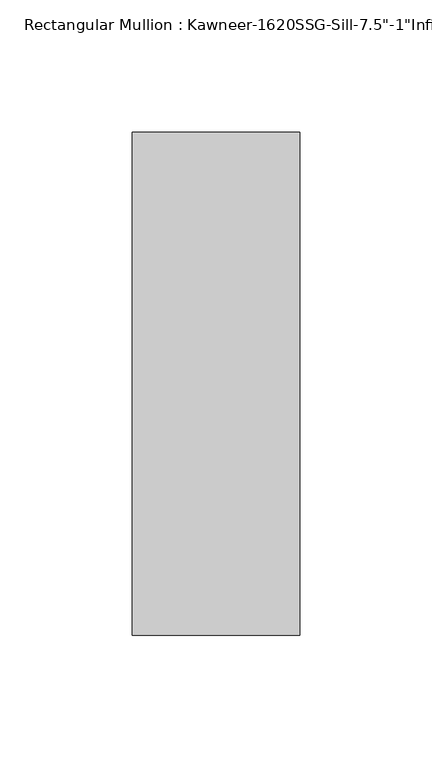
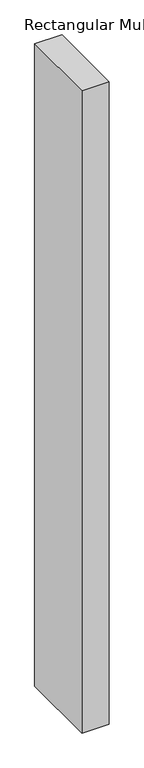
"""IFC4 building model written with IfcOpenShell, lengths in millimetres: member geometry."""

from ifc_helpers import new_model, si_unit, frame, origin, place, context, project, spatial, polyline, outline, extrude, source, transform, mapped, element, save


def member_6f84d063(model_context):
    return source(origin(), model_context, "Body", "SweptSolid", [
        extrude(outline(polyline([(-63.5, 38.1), (0.0, 38.1), (0.0, -152.4), (-63.5, -152.4), (-63.5, 38.1)])), frame((0.0, 0.0, -1582.0182369), z_axis=(0.0, 0.0, 1.0), x_axis=(1.0, 0.0, 0.0)), (0.0, 0.0, 1.0), 1582.0182369),
    ])


if __name__ == "__main__":
    model = new_model("IFC4")
    model_context = context("Model", 3, world=origin())
    ifc_project = project(units=[si_unit("LENGTHUNIT", "METRE", prefix="MILLI")], contexts=[model_context])
    site = spatial("IfcSite", under=ifc_project)
    building = spatial("IfcBuilding", under=site)
    placement = place(None, origin())
    member_shape = member_6f84d063(model_context)
    element("IfcMember", 1, ObjectType="Rectangular Mullion : Kawneer-1620SSG-Sill-7.5\"-1\"Infill", at=placement, inside=building, context=model_context, shape_type="MappedRepresentation", body=[
        mapped(member_shape, transform((0.0, 0.0, 0.0), x_axis=(1.0, 0.0, 0.0), y_axis=(0.0, 1.0, 0.0), z_axis=(0.0, 0.0, 1.0))),
    ])
    save(model, "model.ifc")
